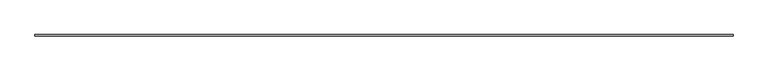
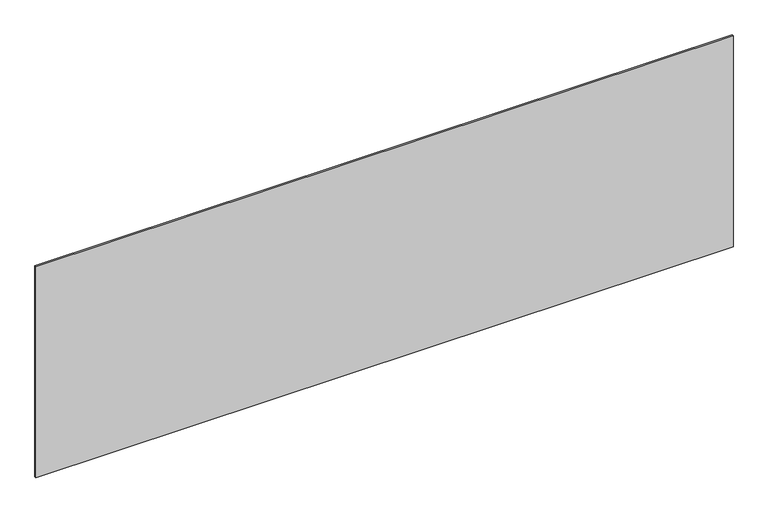
"""IFC4 building model written with IfcOpenShell, lengths in millimetres: plate geometry."""

from ifc_helpers import new_model, si_unit, origin, origin_with_axes, place, context, project, spatial, polyline, outline, extrude, source, transform, mapped, element, save


def plate_5699c27d(model_context):
    return source(origin(), model_context, "Body", "SweptSolid", [
        extrude(outline(polyline([(2281.6666667, -5.0), (-2281.6666667, -5.0), (-2281.6666667, 5.0), (2281.6666667, 5.0), (2281.6666667, -5.0)])), origin_with_axes(), (0.0, 0.0, 1.0), 1460.5679589),
    ])


if __name__ == "__main__":
    model = new_model("IFC4")
    model_context = context("Model", 3, world=origin())
    ifc_project = project(units=[si_unit("LENGTHUNIT", "METRE", prefix="MILLI")], contexts=[model_context])
    site = spatial("IfcSite", under=ifc_project)
    building = spatial("IfcBuilding", under=site)
    placement = place(None, origin())
    plate_shape = plate_5699c27d(model_context)
    element("IfcPlate", 1, at=placement, inside=building, context=model_context, shape_type="MappedRepresentation", body=[
        mapped(plate_shape, transform((0.0, 0.0, 0.0), x_axis=(1.0, 0.0, 0.0), y_axis=(0.0, 1.0, 0.0), z_axis=(0.0, 0.0, 1.0))),
    ])
    save(model, "model.ifc")
